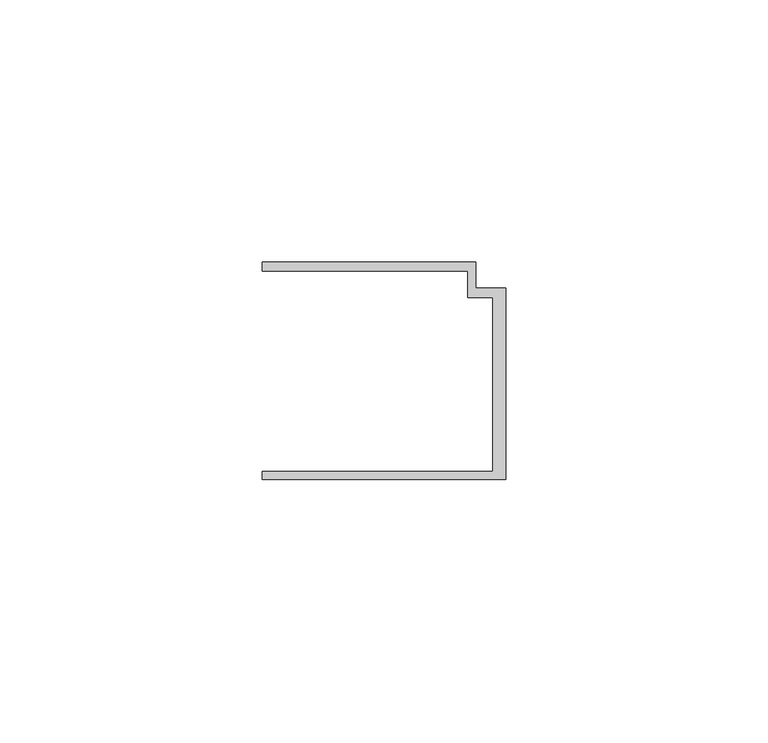
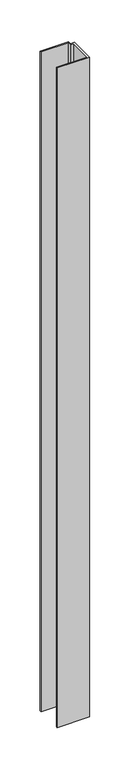
"""IFC4 building model written with IfcOpenShell, lengths in millimetres: member geometry."""

from ifc_helpers import new_model, si_unit, frame, origin, place, context, project, spatial, polyline, outline, extrude, source, transform, mapped, element, save


def member_a9ab313a(model_context):
    return source(origin(), model_context, "Body", "SweptSolid", [
        extrude(outline(polyline([(-46.3, -19.2), (-2.4, -19.2), (-2.4, 14.0), (-7.2, 14.0), (-7.2, 19.0), (-46.3, 19.0), (-46.3, 20.7), (-5.6999992, 20.7), (-5.6999992, 15.8), (0.0, 15.8), (0.0, -20.7), (-46.3, -20.7), (-46.3, -19.2)])), frame((0.0, 0.0, -995.1268757), z_axis=(0.0, 0.0, 1.0), x_axis=(1.0, 0.0, 0.0)), (0.0, 0.0, 1.0), 995.1268757),
    ])


if __name__ == "__main__":
    model = new_model("IFC4")
    model_context = context("Model", 3, world=origin())
    ifc_project = project(units=[si_unit("LENGTHUNIT", "METRE", prefix="MILLI")], contexts=[model_context])
    site = spatial("IfcSite", under=ifc_project)
    building = spatial("IfcBuilding", under=site)
    placement = place(None, origin())
    member_shape = member_a9ab313a(model_context)
    element("IfcMember", 1, at=placement, inside=building, context=model_context, shape_type="MappedRepresentation", body=[
        mapped(member_shape, transform((0.0, 0.0, 0.0), x_axis=(1.0, 0.0, 0.0), y_axis=(0.0, 1.0, 0.0), z_axis=(0.0, 0.0, 1.0))),
    ])
    save(model, "model.ifc")
